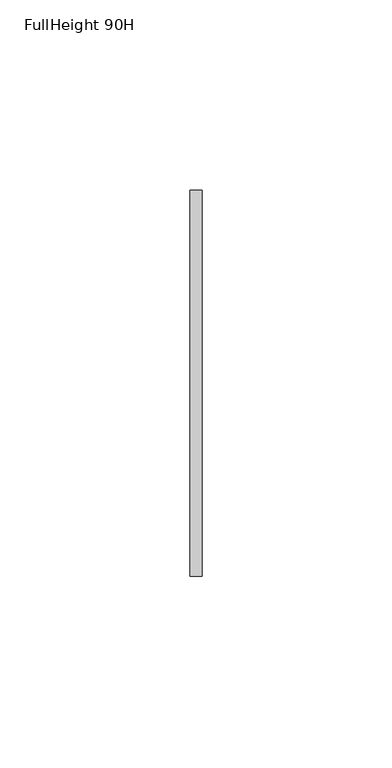
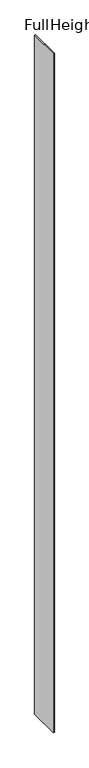
"""IFC4 building model written with IfcOpenShell, lengths in millimetres: furniture geometry, FullHeight 90H."""

import ifcopenshell
import ifcopenshell.guid

model = None  # the IFC model being written
_history = None  # IfcOwnerHistory: only IFC2X3 demands one
_inside = {}  # id of a spatial element -> (the spatial element, [elements in it])
_under = {}  # id of a project, library or spatial element -> (it, [spatial elements below it])
_declared = {}  # id of a project -> (the project, [libraries it declares])
_typed = {}  # id of a type object -> (the type object, [elements of that type])
_made_of = {}  # id of a material, layer set ... -> (it, [elements and type objects made of it])


def new_model(schema):
    """Start an empty IFC model of exactly this schema.

    Asked for "IFC4X3", IfcOpenShell would pick the latest addendum, in which some entities
    have other attributes; the version numbers below select the first issue.
    IFC2X3 requires an IfcOwnerHistory on every rooted entity: one is made here for all.
    """
    global model, _history
    if schema == "IFC4X3":
        model = ifcopenshell.file(schema_version=(4, 3, 0, 0))
    else:
        model = ifcopenshell.file(schema=schema)
    _inside.clear()
    _under.clear()
    _declared.clear()
    _typed.clear()
    _made_of.clear()
    _history = None
    if model.schema == "IFC2X3":
        org = make("IfcOrganization", Name="unknown")
        user = make(
            "IfcPersonAndOrganization",
            ThePerson=make("IfcPerson", FamilyName="unknown"),
            TheOrganization=org,
        )
        app = make(
            "IfcApplication",
            ApplicationDeveloper=org,
            Version="unknown",
            ApplicationFullName="unknown",
            ApplicationIdentifier="unknown",
        )
        _history = make(
            "IfcOwnerHistory",
            OwningUser=user,
            OwningApplication=app,
            ChangeAction="ADDED",
            CreationDate=0,
        )
    return model


def make(cls, **values):
    """One entity of the class cls with the attributes given. An attribute that is None is left unset."""
    return model.create_entity(
        cls, **{name: value for name, value in values.items() if value is not None}
    )


def rooted(cls, **values):
    """An entity with a GlobalId (a new one), such as an element, a storey or a relation."""
    return make(cls, GlobalId=ifcopenshell.guid.new(), OwnerHistory=_history, **values)


def si_unit(unit_type, name, prefix=None):
    """IfcSIUnit, for example si_unit("LENGTHUNIT", "METRE", prefix="MILLI")."""
    return make("IfcSIUnit", UnitType=unit_type, Prefix=prefix, Name=name)


def assignment(units):
    """IfcUnitAssignment: the units of a project."""
    return None if units is None else make("IfcUnitAssignment", Units=units)


def point(xyz):
    """IfcCartesianPoint."""
    return None if xyz is None else make("IfcCartesianPoint", Coordinates=xyz)


def direction(xyz):
    """IfcDirection."""
    return None if xyz is None else make("IfcDirection", DirectionRatios=xyz)


def frame(location, z_axis=None, x_axis=None):
    """IfcAxis2Placement3D, a coordinate frame: its origin and axes. An axis left out is left unset."""
    return make(
        "IfcAxis2Placement3D",
        Location=point(location),
        Axis=direction(z_axis),
        RefDirection=direction(x_axis),
    )


def origin():
    """The frame at (0, 0, 0) with its axes left unset."""
    return frame((0.0, 0.0, 0.0))


def place(relative_to, where):
    """IfcLocalPlacement: puts the frame where relative to a parent placement (None: the world)."""
    return make(
        "IfcLocalPlacement", PlacementRelTo=relative_to, RelativePlacement=where
    )


def context(
    kind, dimensions, precision=None, world=None, true_north=None, identifier=None
):
    """IfcGeometricRepresentationContext, for example the 3D "Model" context."""
    return make(
        "IfcGeometricRepresentationContext",
        ContextIdentifier=identifier,
        ContextType=kind,
        CoordinateSpaceDimension=dimensions,
        Precision=precision,
        WorldCoordinateSystem=world,
        TrueNorth=true_north,
    )


def project(units=None, contexts=None):
    """IfcProject with its units and contexts."""
    return rooted(
        "IfcProject",
        Name="project",
        RepresentationContexts=contexts,
        UnitsInContext=assignment(units),
    )


def spatial(cls, under=None, at=None, **own):
    """A site, building, storey or space (cls), placed at a placement, below another one or the project."""
    s = rooted(cls, ObjectPlacement=at, **own)
    if under is not None:
        _under.setdefault(under.id(), (under, []))[1].append(s)
    return s


def polyline(points):
    """IfcPolyline through the points."""
    return make("IfcPolyline", Points=[point(p) for p in points])


def outline(outer, holes=None, kind="AREA"):
    """IfcArbitraryClosedProfileDef: a profile drawn as a closed curve; with holes, ...WithVoids."""
    if holes is None:
        return make("IfcArbitraryClosedProfileDef", ProfileType=kind, OuterCurve=outer)
    return make(
        "IfcArbitraryProfileDefWithVoids",
        ProfileType=kind,
        OuterCurve=outer,
        InnerCurves=holes,
    )


def extrude(swept, where, along, depth):
    """IfcExtrudedAreaSolid: the profile swept, set in the frame where, extruded along a direction by depth."""
    return make(
        "IfcExtrudedAreaSolid",
        SweptArea=swept,
        Position=where,
        ExtrudedDirection=direction(along),
        Depth=depth,
    )


def shape(context_of_items, identifier, shape_type, items):
    """IfcShapeRepresentation: the items that make up one representation, for example the "Body"."""
    return make(
        "IfcShapeRepresentation",
        ContextOfItems=context_of_items,
        RepresentationIdentifier=identifier,
        RepresentationType=shape_type,
        Items=items,
    )


def source(mapping_origin, context_of_items, identifier, shape_type, items):
    """IfcRepresentationMap: a shape defined once, which mapped items show again and again."""
    return make(
        "IfcRepresentationMap",
        MappingOrigin=mapping_origin,
        MappedRepresentation=shape(context_of_items, identifier, shape_type, items),
    )


def transform(
    local_origin,
    x_axis=None,
    y_axis=None,
    z_axis=None,
    scale=None,
    scale2=None,
    scale3=None,
    uniform=True,
):
    """IfcCartesianTransformationOperator3D, or its non-uniform kind. x_axis, y_axis, z_axis: its Axis1, 2, 3."""
    if uniform:
        return make(
            "IfcCartesianTransformationOperator3D",
            Axis1=direction(x_axis),
            Axis2=direction(y_axis),
            LocalOrigin=point(local_origin),
            Scale=scale,
            Axis3=direction(z_axis),
        )
    return make(
        "IfcCartesianTransformationOperator3DnonUniform",
        Axis1=direction(x_axis),
        Axis2=direction(y_axis),
        LocalOrigin=point(local_origin),
        Scale=scale,
        Axis3=direction(z_axis),
        Scale2=scale2,
        Scale3=scale3,
    )


def mapped(mapping_source, mapping_target):
    """IfcMappedItem: shows the shape of a source again, moved by a transform."""
    return make(
        "IfcMappedItem", MappingSource=mapping_source, MappingTarget=mapping_target
    )


def made_of(thing, what):
    """Note that an element or type object is made of a material, layer set ...; save() writes the relation."""
    if what is not None:
        _made_of.setdefault(what.id(), (what, []))[1].append(thing)
    return thing


def element(
    cls,
    number,
    at=None,
    inside=None,
    cuts=None,
    type_object=None,
    material=None,
    context=None,
    identifier="Body",
    shape_type=None,
    held_by="IfcProductDefinitionShape",
    body=None,
    shapes=None,
    **own,
):
    """One element of the class cls, such as IfcWall. Its Tag is "e" and its number.

    at: its placement. inside: the storey or other place that contains it. cuts: it is an
    opening in that element (IfcRelVoidsElement). A single representation is given by context,
    identifier, shape_type and body (its items); several are given by shapes. held_by: the class
    of the entity that holds the representations. save() writes the other relations.
    """
    e = rooted(cls, Tag="e%d" % number, ObjectPlacement=at, **own)
    if body is not None:
        shapes = [shape(context, identifier, shape_type, body)]
    if shapes is not None:
        e.Representation = make(held_by, Representations=shapes)
    if inside is not None:
        _inside.setdefault(inside.id(), (inside, []))[1].append(e)
    if cuts is not None:
        rooted(
            "IfcRelVoidsElement", RelatingBuildingElement=cuts, RelatedOpeningElement=e
        )
    if type_object is not None:
        _typed.setdefault(type_object.id(), (type_object, []))[1].append(e)
    return made_of(e, material)


def aggregate(whole, parts):
    """IfcRelAggregates: a whole, such as a stair, and the parts it consists of."""
    return rooted("IfcRelAggregates", RelatingObject=whole, RelatedObjects=parts)


def save(model, path):
    """Write the relations noted so far, then the file.

    IfcRelAggregates (storeys below a building ...), IfcRelContainedInSpatialStructure (elements
    in a storey), IfcRelDefinesByType, IfcRelAssociatesMaterial and IfcRelDeclares: one each for
    every whole, place, type object, material and project.
    """
    for whole, parts in _under.values():
        aggregate(whole, parts)
    for where, things in _inside.values():
        rooted(
            "IfcRelContainedInSpatialStructure",
            RelatedElements=things,
            RelatingStructure=where,
        )
    for kind, things in _typed.values():
        rooted("IfcRelDefinesByType", RelatedObjects=things, RelatingType=kind)
    for what, things in _made_of.values():
        rooted("IfcRelAssociatesMaterial", RelatedObjects=things, RelatingMaterial=what)
    for by, libraries in _declared.values():
        rooted("IfcRelDeclares", RelatingContext=by, RelatedDefinitions=libraries)
    model.write(path)


def fullheight_90h_b76a3481(model_context):
    return source(origin(), model_context, "Body", "SweptSolid", [
        extrude(outline(polyline([(0.0, 50.8000015), (0.0, -50.7659292), (-3.1750001, -50.7659292), (-3.1750001, 50.8000015), (0.0, 50.8000015)])), frame((0.0, 0.0, 25.4), z_axis=(0.0, 0.0, 1.0), x_axis=(1.0, 0.0, 0.0)), (0.0, 0.0, 1.0), 2260.6),
    ])


if __name__ == "__main__":
    model = new_model("IFC4")
    model_context = context("Model", 3, world=origin())
    ifc_project = project(units=[si_unit("LENGTHUNIT", "METRE", prefix="MILLI")], contexts=[model_context])
    site = spatial("IfcSite", under=ifc_project)
    building = spatial("IfcBuilding", under=site)
    placement = place(None, origin())
    fullheight_90h_shape = fullheight_90h_b76a3481(model_context)
    element("IfcFurniture", 1, ObjectType="FullHeight 90H", at=placement, inside=building, context=model_context, shape_type="MappedRepresentation", body=[
        mapped(fullheight_90h_shape, transform((0.0, 0.0, 0.0), x_axis=(1.0, 0.0, 0.0), y_axis=(0.0, 1.0, 0.0), z_axis=(0.0, 0.0, 1.0))),
    ])
    save(model, "model.ifc")
